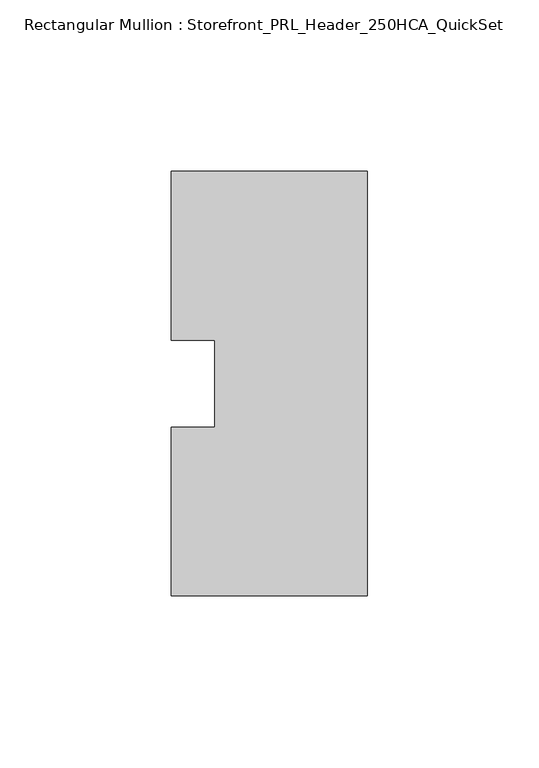
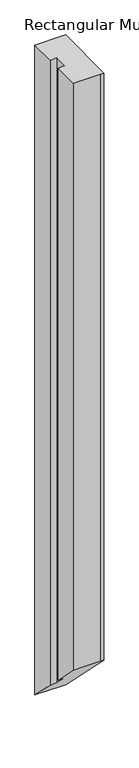
"""IFC4 building model written with IfcOpenShell, lengths in millimetres: member geometry, Rectangular Mullion : Storefront_PRL_Header_250HCA_QuickSet."""

from ifc_helpers import new_model, si_unit, origin, place, context, project, spatial, faceted_brep, source, transform, mapped, element, save


def rectangular_mullion_storefront_prl_header_250hca_quickset_46d4b015(model_context):
    return source(origin(), model_context, "Body", "Brep", [
        faceted_brep([(-44.45, -12.7, 0.0), (-57.15, -12.7, 0.0), (-57.15, -61.9125, 0.0), (-6.35, -61.9125, 0.0), (0.0, -61.9125, 0.0), (0.0, 61.9125, 0.0), (-7.7254924, 61.9125, 0.0), (-57.15, 61.9125, 0.0), (-57.15, 12.7, 0.0), (-44.45, 12.7, 0.0), (-44.45, -12.7, -1206.5), (-57.15, -12.7, -1206.5), (-57.15, -61.9125, -1157.2875), (-6.35, -61.9125, -1157.2875), (0.0, -61.9125, -1157.2875), (0.0, 61.9125, -1281.1125), (-7.7254924, 61.9125, -1281.1125), (-57.15, 61.9125, -1281.1125), (-57.15, 12.7, -1231.9), (-44.45, 12.7, -1231.9)], [[[0, 1, 2, 3, 4, 5, 6, 7, 8, 9]], [[1, 0, 10, 11]], [[2, 1, 11, 12]], [[3, 2, 12, 13]], [[4, 3, 13, 14]], [[5, 4, 14, 15]], [[6, 5, 15, 16]], [[7, 6, 16, 17]], [[8, 7, 17, 18]], [[9, 8, 18, 19]], [[0, 9, 19, 10]], [[10, 19, 18, 17, 16, 15, 14, 13, 12, 11]]]),
    ])


if __name__ == "__main__":
    model = new_model("IFC4")
    model_context = context("Model", 3, world=origin())
    ifc_project = project(units=[si_unit("LENGTHUNIT", "METRE", prefix="MILLI")], contexts=[model_context])
    site = spatial("IfcSite", under=ifc_project)
    building = spatial("IfcBuilding", under=site)
    placement = place(None, origin())
    rectangular_mullion_storefront_prl_header_250hca_quickset_shape = rectangular_mullion_storefront_prl_header_250hca_quickset_46d4b015(model_context)
    element("IfcMember", 1, ObjectType="Rectangular Mullion : Storefront_PRL_Header_250HCA_QuickSet", at=placement, inside=building, context=model_context, shape_type="MappedRepresentation", body=[
        mapped(rectangular_mullion_storefront_prl_header_250hca_quickset_shape, transform((0.0, 0.0, 0.0), x_axis=(1.0, 0.0, 0.0), y_axis=(0.0, 1.0, 0.0), z_axis=(0.0, 0.0, 1.0))),
    ])
    save(model, "model.ifc")
